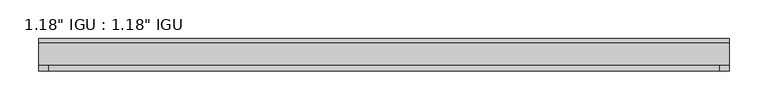
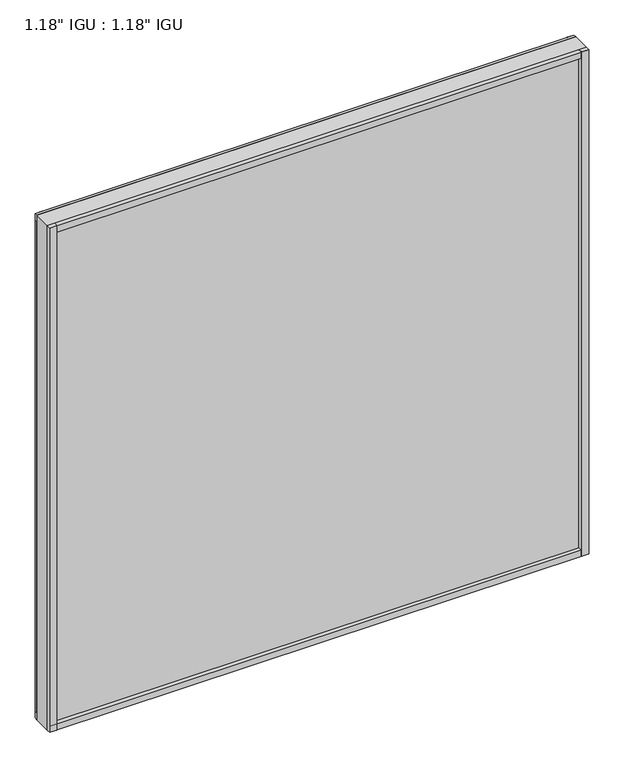
"""IFC4 building model written with IfcOpenShell, lengths in millimetres: plate geometry."""

from ifc_helpers import new_model, si_unit, frame, origin, origin_with_axes, place, context, project, spatial, polyline, outline, extrude, source, transform, mapped, element, save


def plate_395092b2(model_context):
    return source(origin(), model_context, "Body", "SweptSolid", [
        extrude(outline(polyline([(444.5, -9.7647125), (444.5, -14.5399125), (-444.5, -14.5399125), (-444.5, -9.7647125), (444.5, -9.7647125)])), origin_with_axes(), (0.0, 0.0, 1.0), 11.1252),
        extrude(outline(polyline([(-444.5, -14.5399125), (-444.5, -9.7647125), (444.5, -9.7647125), (444.5, -14.5399125), (-444.5, -14.5399125)])), frame((0.0, 0.0, 868.3702658), z_axis=(0.0, 0.0, 1.0), x_axis=(1.0, 0.0, 0.0)), (0.0, 0.0, 1.0), 11.1252),
        extrude(outline(polyline([(444.5, -44.6643125), (444.5, -51.3953125), (432.3623204, -51.3953125), (432.3623204, -44.6643125), (444.5, -44.6643125)])), origin_with_axes(), (0.0, 0.0, 1.0), 879.4954658),
        extrude(outline(polyline([(444.5, -9.7765488), (444.5, -14.5399125), (432.4875762, -14.5399125), (432.4875762, -9.7765488), (444.5, -9.7765488)])), origin_with_axes(), (0.0, 0.0, 1.0), 879.4954658),
        extrude(outline(polyline([(-432.4794229, -51.3953125), (-444.5, -51.3953125), (-444.5, -44.6643125), (-432.4794229, -44.6643125), (-432.4794229, -51.3953125)])), origin_with_axes(), (0.0, 0.0, 1.0), 879.4954658),
        extrude(outline(polyline([(-432.4794229, -14.5399125), (-444.5, -14.5399125), (-444.5, -9.7647125), (-432.4794229, -9.7647125), (-432.4794229, -14.5399125)])), origin_with_axes(), (0.0, 0.0, 1.0), 879.4954658),
        extrude(outline(polyline([(444.5, -44.6643125), (444.5, -51.3953125), (-444.5, -51.3953125), (-444.5, -44.6643125), (444.5, -44.6643125)])), origin_with_axes(), (0.0, 0.0, 1.0), 11.1693096),
        extrude(outline(polyline([(444.5, -44.6643125), (444.5, -51.3953125), (-444.5, -51.3953125), (-444.5, -44.6643125), (444.5, -44.6643125)])), frame((0.0, 0.0, 868.31436), z_axis=(0.0, 0.0, 1.0), x_axis=(1.0, 0.0, 0.0)), (0.0, 0.0, 1.0), 11.1811058),
        extrude(outline(polyline([(444.5, -44.6643125), (-444.5, -44.6643125), (-444.5, -14.5399125), (444.5, -14.5399125), (444.5, -44.6643125)])), origin_with_axes(), (0.0, 0.0, 1.0), 879.4954658),
    ])


if __name__ == "__main__":
    model = new_model("IFC4")
    model_context = context("Model", 3, world=origin())
    ifc_project = project(units=[si_unit("LENGTHUNIT", "METRE", prefix="MILLI")], contexts=[model_context])
    site = spatial("IfcSite", under=ifc_project)
    building = spatial("IfcBuilding", under=site)
    placement = place(None, origin())
    plate_shape = plate_395092b2(model_context)
    element("IfcPlate", 1, ObjectType="1.18\" IGU : 1.18\" IGU", at=placement, inside=building, context=model_context, shape_type="MappedRepresentation", body=[
        mapped(plate_shape, transform((0.0, 0.0, 0.0), x_axis=(1.0, 0.0, 0.0), y_axis=(0.0, 1.0, 0.0), z_axis=(0.0, 0.0, 1.0))),
    ])
    save(model, "model.ifc")
